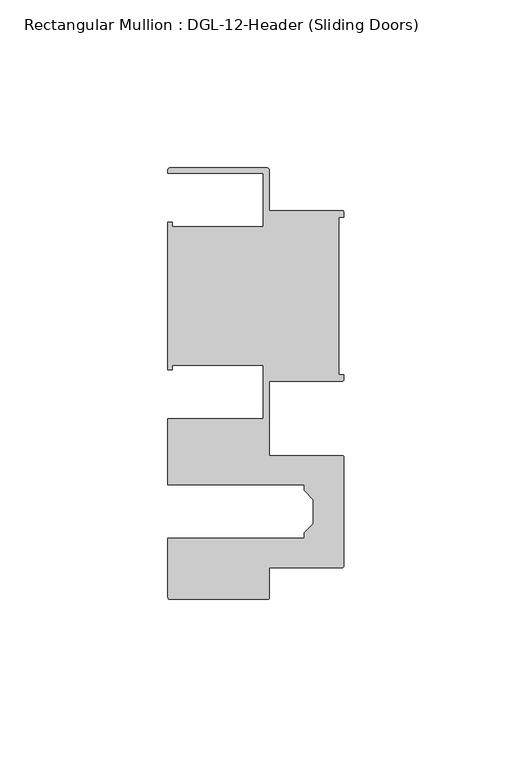
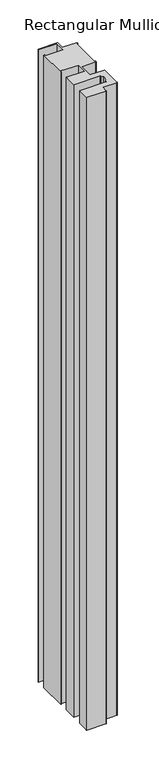
"""IFC4 building model written with IfcOpenShell, lengths in millimetres: member geometry, Rectangular Mullion : DGL-12-Header (Sliding Doors)."""

import ifcopenshell
import ifcopenshell.guid

model = None  # the IFC model being written
_history = None  # IfcOwnerHistory: only IFC2X3 demands one
_inside = {}  # id of a spatial element -> (the spatial element, [elements in it])
_under = {}  # id of a project, library or spatial element -> (it, [spatial elements below it])
_declared = {}  # id of a project -> (the project, [libraries it declares])
_typed = {}  # id of a type object -> (the type object, [elements of that type])
_made_of = {}  # id of a material, layer set ... -> (it, [elements and type objects made of it])


def new_model(schema):
    """Start an empty IFC model of exactly this schema.

    Asked for "IFC4X3", IfcOpenShell would pick the latest addendum, in which some entities
    have other attributes; the version numbers below select the first issue.
    IFC2X3 requires an IfcOwnerHistory on every rooted entity: one is made here for all.
    """
    global model, _history
    if schema == "IFC4X3":
        model = ifcopenshell.file(schema_version=(4, 3, 0, 0))
    else:
        model = ifcopenshell.file(schema=schema)
    _inside.clear()
    _under.clear()
    _declared.clear()
    _typed.clear()
    _made_of.clear()
    _history = None
    if model.schema == "IFC2X3":
        org = make("IfcOrganization", Name="unknown")
        user = make(
            "IfcPersonAndOrganization",
            ThePerson=make("IfcPerson", FamilyName="unknown"),
            TheOrganization=org,
        )
        app = make(
            "IfcApplication",
            ApplicationDeveloper=org,
            Version="unknown",
            ApplicationFullName="unknown",
            ApplicationIdentifier="unknown",
        )
        _history = make(
            "IfcOwnerHistory",
            OwningUser=user,
            OwningApplication=app,
            ChangeAction="ADDED",
            CreationDate=0,
        )
    return model


def make(cls, **values):
    """One entity of the class cls with the attributes given. An attribute that is None is left unset."""
    return model.create_entity(
        cls, **{name: value for name, value in values.items() if value is not None}
    )


def rooted(cls, **values):
    """An entity with a GlobalId (a new one), such as an element, a storey or a relation."""
    return make(cls, GlobalId=ifcopenshell.guid.new(), OwnerHistory=_history, **values)


def si_unit(unit_type, name, prefix=None):
    """IfcSIUnit, for example si_unit("LENGTHUNIT", "METRE", prefix="MILLI")."""
    return make("IfcSIUnit", UnitType=unit_type, Prefix=prefix, Name=name)


def assignment(units):
    """IfcUnitAssignment: the units of a project."""
    return None if units is None else make("IfcUnitAssignment", Units=units)


def point(xyz):
    """IfcCartesianPoint."""
    return None if xyz is None else make("IfcCartesianPoint", Coordinates=xyz)


def direction(xyz):
    """IfcDirection."""
    return None if xyz is None else make("IfcDirection", DirectionRatios=xyz)


def frame(location, z_axis=None, x_axis=None):
    """IfcAxis2Placement3D, a coordinate frame: its origin and axes. An axis left out is left unset."""
    return make(
        "IfcAxis2Placement3D",
        Location=point(location),
        Axis=direction(z_axis),
        RefDirection=direction(x_axis),
    )


def frame_2d(location, x_axis=None):
    """IfcAxis2Placement2D, a coordinate frame in the plane: its origin and x axis."""
    return make(
        "IfcAxis2Placement2D", Location=point(location), RefDirection=direction(x_axis)
    )


def origin():
    """The frame at (0, 0, 0) with its axes left unset."""
    return frame((0.0, 0.0, 0.0))


def place(relative_to, where):
    """IfcLocalPlacement: puts the frame where relative to a parent placement (None: the world)."""
    return make(
        "IfcLocalPlacement", PlacementRelTo=relative_to, RelativePlacement=where
    )


def context(
    kind, dimensions, precision=None, world=None, true_north=None, identifier=None
):
    """IfcGeometricRepresentationContext, for example the 3D "Model" context."""
    return make(
        "IfcGeometricRepresentationContext",
        ContextIdentifier=identifier,
        ContextType=kind,
        CoordinateSpaceDimension=dimensions,
        Precision=precision,
        WorldCoordinateSystem=world,
        TrueNorth=true_north,
    )


def project(units=None, contexts=None):
    """IfcProject with its units and contexts."""
    return rooted(
        "IfcProject",
        Name="project",
        RepresentationContexts=contexts,
        UnitsInContext=assignment(units),
    )


def spatial(cls, under=None, at=None, **own):
    """A site, building, storey or space (cls), placed at a placement, below another one or the project."""
    s = rooted(cls, ObjectPlacement=at, **own)
    if under is not None:
        _under.setdefault(under.id(), (under, []))[1].append(s)
    return s


def polyline(points):
    """IfcPolyline through the points."""
    return make("IfcPolyline", Points=[point(p) for p in points])


def circle_curve(where, radius):
    """IfcCircle in the frame where."""
    return make("IfcCircle", Position=where, Radius=radius)


def trimmed(basis, trim1, trim2, sense, master):
    """IfcTrimmedCurve: the piece of a basis curve between two trims."""
    return make(
        "IfcTrimmedCurve",
        BasisCurve=basis,
        Trim1=trim1,
        Trim2=trim2,
        SenseAgreement=sense,
        MasterRepresentation=master,
    )


def segment(curve, same_sense, transition):
    """IfcCompositeCurveSegment."""
    return make(
        "IfcCompositeCurveSegment",
        Transition=transition,
        SameSense=same_sense,
        ParentCurve=curve,
    )


def composite_curve(segments, self_intersect=None):
    """IfcCompositeCurve: segments joined end to end."""
    return make("IfcCompositeCurve", Segments=segments, SelfIntersect=self_intersect)


def outline(outer, holes=None, kind="AREA"):
    """IfcArbitraryClosedProfileDef: a profile drawn as a closed curve; with holes, ...WithVoids."""
    if holes is None:
        return make("IfcArbitraryClosedProfileDef", ProfileType=kind, OuterCurve=outer)
    return make(
        "IfcArbitraryProfileDefWithVoids",
        ProfileType=kind,
        OuterCurve=outer,
        InnerCurves=holes,
    )


def extrude(swept, where, along, depth):
    """IfcExtrudedAreaSolid: the profile swept, set in the frame where, extruded along a direction by depth."""
    return make(
        "IfcExtrudedAreaSolid",
        SweptArea=swept,
        Position=where,
        ExtrudedDirection=direction(along),
        Depth=depth,
    )


def shape(context_of_items, identifier, shape_type, items):
    """IfcShapeRepresentation: the items that make up one representation, for example the "Body"."""
    return make(
        "IfcShapeRepresentation",
        ContextOfItems=context_of_items,
        RepresentationIdentifier=identifier,
        RepresentationType=shape_type,
        Items=items,
    )


def source(mapping_origin, context_of_items, identifier, shape_type, items):
    """IfcRepresentationMap: a shape defined once, which mapped items show again and again."""
    return make(
        "IfcRepresentationMap",
        MappingOrigin=mapping_origin,
        MappedRepresentation=shape(context_of_items, identifier, shape_type, items),
    )


def transform(
    local_origin,
    x_axis=None,
    y_axis=None,
    z_axis=None,
    scale=None,
    scale2=None,
    scale3=None,
    uniform=True,
):
    """IfcCartesianTransformationOperator3D, or its non-uniform kind. x_axis, y_axis, z_axis: its Axis1, 2, 3."""
    if uniform:
        return make(
            "IfcCartesianTransformationOperator3D",
            Axis1=direction(x_axis),
            Axis2=direction(y_axis),
            LocalOrigin=point(local_origin),
            Scale=scale,
            Axis3=direction(z_axis),
        )
    return make(
        "IfcCartesianTransformationOperator3DnonUniform",
        Axis1=direction(x_axis),
        Axis2=direction(y_axis),
        LocalOrigin=point(local_origin),
        Scale=scale,
        Axis3=direction(z_axis),
        Scale2=scale2,
        Scale3=scale3,
    )


def mapped(mapping_source, mapping_target):
    """IfcMappedItem: shows the shape of a source again, moved by a transform."""
    return make(
        "IfcMappedItem", MappingSource=mapping_source, MappingTarget=mapping_target
    )


def made_of(thing, what):
    """Note that an element or type object is made of a material, layer set ...; save() writes the relation."""
    if what is not None:
        _made_of.setdefault(what.id(), (what, []))[1].append(thing)
    return thing


def element(
    cls,
    number,
    at=None,
    inside=None,
    cuts=None,
    type_object=None,
    material=None,
    context=None,
    identifier="Body",
    shape_type=None,
    held_by="IfcProductDefinitionShape",
    body=None,
    shapes=None,
    **own,
):
    """One element of the class cls, such as IfcWall. Its Tag is "e" and its number.

    at: its placement. inside: the storey or other place that contains it. cuts: it is an
    opening in that element (IfcRelVoidsElement). A single representation is given by context,
    identifier, shape_type and body (its items); several are given by shapes. held_by: the class
    of the entity that holds the representations. save() writes the other relations.
    """
    e = rooted(cls, Tag="e%d" % number, ObjectPlacement=at, **own)
    if body is not None:
        shapes = [shape(context, identifier, shape_type, body)]
    if shapes is not None:
        e.Representation = make(held_by, Representations=shapes)
    if inside is not None:
        _inside.setdefault(inside.id(), (inside, []))[1].append(e)
    if cuts is not None:
        rooted(
            "IfcRelVoidsElement", RelatingBuildingElement=cuts, RelatedOpeningElement=e
        )
    if type_object is not None:
        _typed.setdefault(type_object.id(), (type_object, []))[1].append(e)
    return made_of(e, material)


def aggregate(whole, parts):
    """IfcRelAggregates: a whole, such as a stair, and the parts it consists of."""
    return rooted("IfcRelAggregates", RelatingObject=whole, RelatedObjects=parts)


def save(model, path):
    """Write the relations noted so far, then the file.

    IfcRelAggregates (storeys below a building ...), IfcRelContainedInSpatialStructure (elements
    in a storey), IfcRelDefinesByType, IfcRelAssociatesMaterial and IfcRelDeclares: one each for
    every whole, place, type object, material and project.
    """
    for whole, parts in _under.values():
        aggregate(whole, parts)
    for where, things in _inside.values():
        rooted(
            "IfcRelContainedInSpatialStructure",
            RelatedElements=things,
            RelatingStructure=where,
        )
    for kind, things in _typed.values():
        rooted("IfcRelDefinesByType", RelatedObjects=things, RelatingType=kind)
    for what, things in _made_of.values():
        rooted("IfcRelAssociatesMaterial", RelatedObjects=things, RelatingMaterial=what)
    for by, libraries in _declared.values():
        rooted("IfcRelDeclares", RelatingContext=by, RelatedDefinitions=libraries)
    model.write(path)


def rectangular_mullion_dgl_12_header_sliding_doors_095d80aa(model_context):
    return source(origin(), model_context, "Body", "SweptSolid", [
        extrude(outline(composite_curve([segment(trimmed(circle_curve(frame_2d((-0.5953125, 24.8046875)), 0.5953125), [point((-0.5953125, 25.4))], [point((0.0, 24.8046875))], False, "CARTESIAN"), True, "CONTINUOUS"), segment(polyline([(0.0, 24.8046875), (0.0, 23.488176), (-1.5001875, 23.488176), (-1.5001875, -23.488176), (0.0, -23.488176), (0.0, -24.8046875)]), True, "CONTINUOUS"), segment(trimmed(circle_curve(frame_2d((-0.5953125, -24.8046875)), 0.5953125), [point((0.0, -24.8046875))], [point((-0.5953125, -25.4))], False, "CARTESIAN"), True, "CONTINUOUS"), segment(polyline([(-0.5953125, -25.4), (-22.2332898, -25.4), (-22.2332898, -47.513352), (-0.60357, -47.513352)]), True, "CONTINUOUS"), segment(trimmed(circle_curve(frame_2d((-0.60357, -48.1086645)), 0.5953125), [point((-0.60357, -47.513352))], [point((-0.0082575, -48.1086645))], False, "CARTESIAN"), True, "CONTINUOUS"), segment(polyline([(-0.0082575, -48.1086645), (-0.0082575, -80.2801715)]), True, "CONTINUOUS"), segment(trimmed(circle_curve(frame_2d((-0.60357, -80.2801715)), 0.5953125), [point((-0.0082575, -80.2801715))], [point((-0.60357, -80.875484))], False, "CARTESIAN"), True, "CONTINUOUS"), segment(polyline([(-0.60357, -80.875484), (-22.2032575, -80.875484), (-22.2032575, -89.7299227)]), True, "CONTINUOUS"), segment(trimmed(circle_curve(frame_2d((-22.79857, -89.7299227)), 0.5953125), [point((-22.2032575, -89.7299227))], [point((-22.79857, -90.3252352))], False, "CARTESIAN"), True, "CONTINUOUS"), segment(polyline([(-22.79857, -90.3252352), (-51.7968699, -90.3252352)]), True, "CONTINUOUS"), segment(trimmed(circle_curve(frame_2d((-51.7968699, -89.7299227)), 0.5953125), [point((-51.7968699, -90.3252352))], [point((-52.3921824, -89.7299227))], False, "CARTESIAN"), True, "CONTINUOUS"), segment(polyline([(-52.3921824, -89.7299227), (-52.3921824, -72.175484), (-11.8582575, -72.175484), (-11.8582575, -70.4941892), (-9.1582575, -67.7941892), (-9.1582575, -60.5946468), (-11.8582575, -57.8946468), (-11.8582575, -56.213352), (-52.3921824, -56.213352), (-52.3921824, -36.512516), (-24.0747898, -36.512516), (-24.0747898, -20.5916734), (-51.1362531, -20.5916734), (-51.1362531, -21.9710976), (-52.3921824, -21.9710976), (-52.3921824, 21.9710976), (-51.1362531, 21.9710976), (-51.1362531, 20.5916734), (-24.0747898, 20.5916734), (-24.0747898, 36.512516), (-52.3921824, 36.512516), (-52.3921824, 37.5043667)]), True, "CONTINUOUS"), segment(trimmed(circle_curve(frame_2d((-51.7968699, 37.5043667)), 0.5953125), [point((-52.3921824, 37.5043667))], [point((-51.7968699, 38.0996792))], False, "CARTESIAN"), True, "CONTINUOUS"), segment(polyline([(-51.7968699, 38.0996792), (-22.8286023, 38.0996792)]), True, "CONTINUOUS"), segment(trimmed(circle_curve(frame_2d((-22.8286023, 37.5043667)), 0.5953125), [point((-22.8286023, 38.0996792))], [point((-22.2332898, 37.5043667))], False, "CARTESIAN"), True, "CONTINUOUS"), segment(polyline([(-22.2332898, 37.5043667), (-22.2332898, 25.4), (-0.5953125, 25.4)]), True, "CONTINUOUS")], self_intersect=False)), frame((0.0, 0.0, -1020.6173796), z_axis=(0.0, 0.0, 1.0), x_axis=(1.0, 0.0, 0.0)), (0.0, 0.0, 1.0), 1020.6173796),
    ])


if __name__ == "__main__":
    model = new_model("IFC4")
    model_context = context("Model", 3, world=origin())
    ifc_project = project(units=[si_unit("LENGTHUNIT", "METRE", prefix="MILLI")], contexts=[model_context])
    site = spatial("IfcSite", under=ifc_project)
    building = spatial("IfcBuilding", under=site)
    placement = place(None, origin())
    rectangular_mullion_dgl_12_header_sliding_doors_shape = rectangular_mullion_dgl_12_header_sliding_doors_095d80aa(model_context)
    element("IfcMember", 1, ObjectType="Rectangular Mullion : DGL-12-Header (Sliding Doors)", at=placement, inside=building, context=model_context, shape_type="MappedRepresentation", body=[
        mapped(rectangular_mullion_dgl_12_header_sliding_doors_shape, transform((0.0, 0.0, 0.0), x_axis=(1.0, 0.0, 0.0), y_axis=(0.0, 1.0, 0.0), z_axis=(0.0, 0.0, 1.0))),
    ])
    save(model, "model.ifc")
